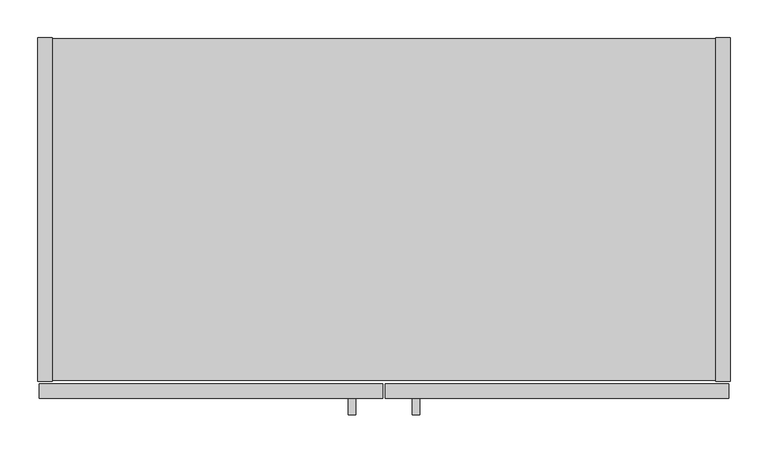
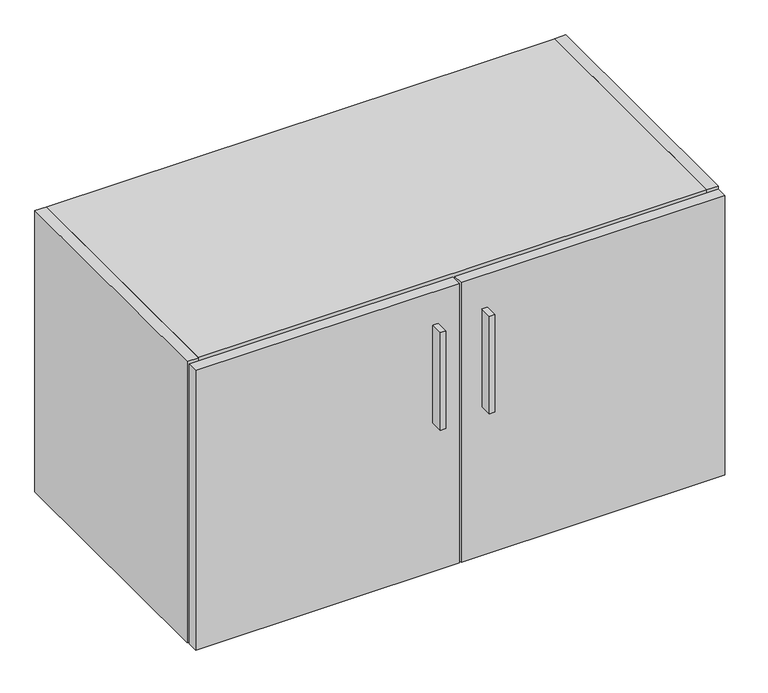
"""IFC4 building model written with IfcOpenShell, lengths in millimetres: furniture geometry."""

from ifc_helpers import new_model, si_unit, frame, origin, place, context, project, spatial, polyline, outline, extrude, source, transform, mapped, element, save


def furniture_6034f4d2(model_context):
    return source(origin(), model_context, "Body", "SweptSolid", [
        extrude(outline(polyline([(419.7338631, -498.729), (410.2088631, -498.729), (410.2088631, -476.504), (419.7338631, -476.504), (419.7338631, -498.729)])), frame((0.0, 0.0, 596.9), z_axis=(0.0, 0.0, 1.0), x_axis=(1.0, 0.0, 0.0)), (0.0, 0.0, 1.0), 177.8),
        extrude(outline(polyline([(504.1888631, -498.729), (494.6638631, -498.729), (494.6638631, -476.504), (504.1888631, -476.504), (504.1888631, -498.729)])), frame((0.0, 0.0, 596.9), z_axis=(0.0, 0.0, 1.0), x_axis=(1.0, 0.0, 0.0)), (0.0, 0.0, 1.0), 177.8),
        extrude(outline(polyline([(455.6125, -476.504), (1.5875, -476.504), (1.5875, -457.2), (455.6125, -457.2), (455.6125, -476.504)])), frame((0.0, 0.0, 325.628), z_axis=(0.0, 0.0, 1.0), x_axis=(1.0, 0.0, 0.0)), (0.0, 0.0, 1.0), 509.397),
        extrude(outline(polyline([(912.8125, -476.504), (458.7875, -476.504), (458.7875, -457.2), (912.8125, -457.2), (912.8125, -476.504)])), frame((0.0, 0.0, 325.628), z_axis=(0.0, 0.0, 1.0), x_axis=(1.0, 0.0, 0.0)), (0.0, 0.0, 1.0), 509.397),
        extrude(outline(polyline([(914.4, 0.0), (914.4, -454.025), (895.096, -454.025), (895.096, 0.0), (914.4, 0.0)])), frame((0.0, 0.0, 325.628), z_axis=(0.0, 0.0, 1.0), x_axis=(1.0, 0.0, 0.0)), (0.0, 0.0, 1.0), 512.572),
        extrude(outline(polyline([(19.304, 0.0), (19.304, -454.025), (0.0, -454.025), (0.0, 0.0), (19.304, 0.0)])), frame((0.0, 0.0, 325.628), z_axis=(0.0, 0.0, 1.0), x_axis=(1.0, 0.0, 0.0)), (0.0, 0.0, 1.0), 512.572),
        extrude(outline(polyline([(895.096, -0.9906), (895.096, -453.0344), (19.304, -453.0344), (19.304, -0.9906), (895.096, -0.9906)])), frame((0.0, 0.0, 326.6186), z_axis=(0.0, 0.0, 1.0), x_axis=(1.0, 0.0, 0.0)), (0.0, 0.0, 1.0), 19.304),
        extrude(outline(polyline([(19.304, -32.004), (19.304, -11.938), (895.096, -11.938), (895.096, -32.004), (19.304, -32.004)])), frame((0.0, 0.0, 345.9226), z_axis=(0.0, 0.0, 1.0), x_axis=(1.0, 0.0, 0.0)), (0.0, 0.0, 1.0), 472.9734),
        extrude(outline(polyline([(895.096, -453.0344), (19.304, -453.0344), (19.304, -0.9906), (895.096, -0.9906), (895.096, -453.0344)])), frame((0.0, 0.0, 818.896), z_axis=(0.0, 0.0, 1.0), x_axis=(1.0, 0.0, 0.0)), (0.0, 0.0, 1.0), 19.304),
    ])


if __name__ == "__main__":
    model = new_model("IFC4")
    model_context = context("Model", 3, world=origin())
    ifc_project = project(units=[si_unit("LENGTHUNIT", "METRE", prefix="MILLI")], contexts=[model_context])
    site = spatial("IfcSite", under=ifc_project)
    building = spatial("IfcBuilding", under=site)
    placement = place(None, origin())
    furniture_shape = furniture_6034f4d2(model_context)
    element("IfcFurniture", 1, at=placement, inside=building, context=model_context, shape_type="MappedRepresentation", body=[
        mapped(furniture_shape, transform((0.0, 0.0, 0.0), x_axis=(1.0, 0.0, 0.0), y_axis=(0.0, 1.0, 0.0), z_axis=(0.0, 0.0, 1.0))),
    ])
    save(model, "model.ifc")
